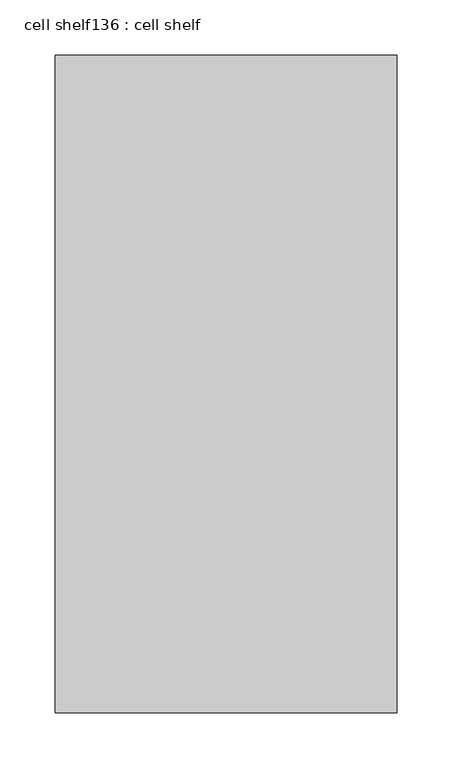
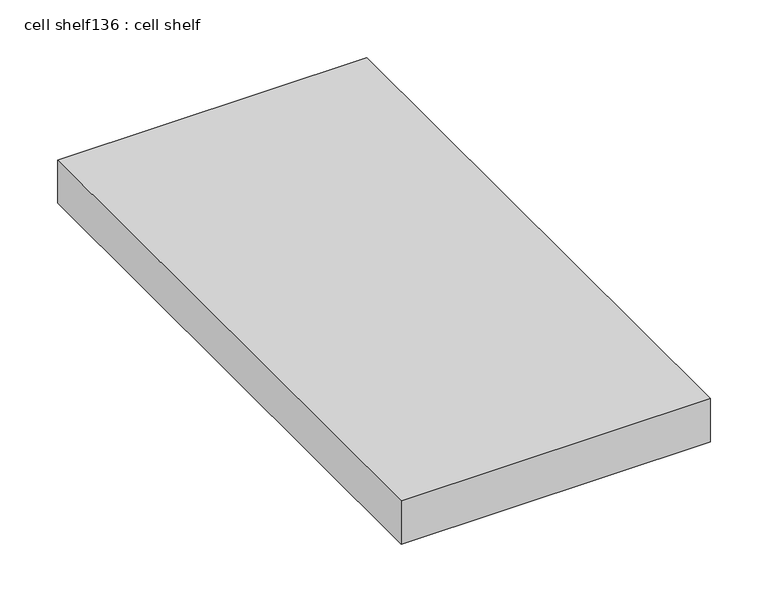
"""IFC4 building model written with IfcOpenShell, lengths in millimetres: proxy geometry, cell shelf136 : cell shelf."""

from ifc_helpers import new_model, si_unit, frame, origin, place, context, project, spatial, polyline, outline, extrude, source, transform, mapped, element, save


def cell_shelf136_cell_shelf_d56d660e(model_context):
    return source(origin(), model_context, "Body", "SweptSolid", [
        extrude(outline(polyline([(-127312.5451094, -29980.3417641), (-127312.5451094, -30575.4281598), (-127621.8929059, -30575.4281598), (-127621.8929059, -29980.3417641), (-127312.5451094, -29980.3417641)])), frame((0.0, 0.0, 1320.0941517), z_axis=(0.0, 0.0, 1.0), x_axis=(1.0, 0.0, 0.0)), (0.0, 0.0, 1.0), 45.8133004),
    ])


if __name__ == "__main__":
    model = new_model("IFC4")
    model_context = context("Model", 3, world=origin())
    ifc_project = project(units=[si_unit("LENGTHUNIT", "METRE", prefix="MILLI")], contexts=[model_context])
    site = spatial("IfcSite", under=ifc_project)
    building = spatial("IfcBuilding", under=site)
    placement = place(None, origin())
    cell_shelf136_cell_shelf_shape = cell_shelf136_cell_shelf_d56d660e(model_context)
    element("IfcBuildingElementProxy", 1, Name="cell shelf136 : cell shelf", ObjectType="cell shelf136 : cell shelf", at=placement, inside=building, context=model_context, shape_type="MappedRepresentation", body=[
        mapped(cell_shelf136_cell_shelf_shape, transform((0.0, 0.0, 0.0), x_axis=(1.0, 0.0, 0.0), y_axis=(0.0, 1.0, 0.0), z_axis=(0.0, 0.0, 1.0))),
    ])
    save(model, "model.ifc")
